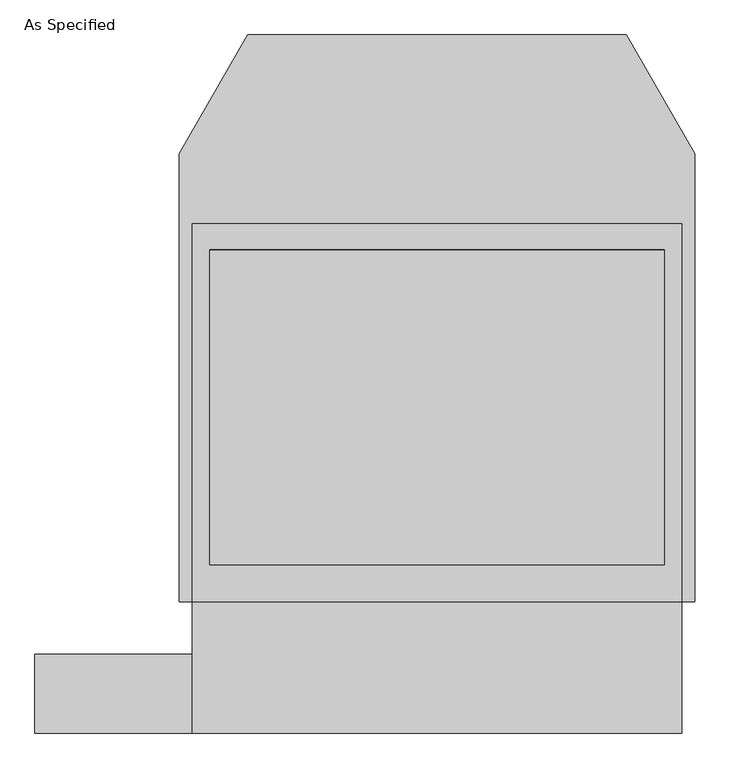
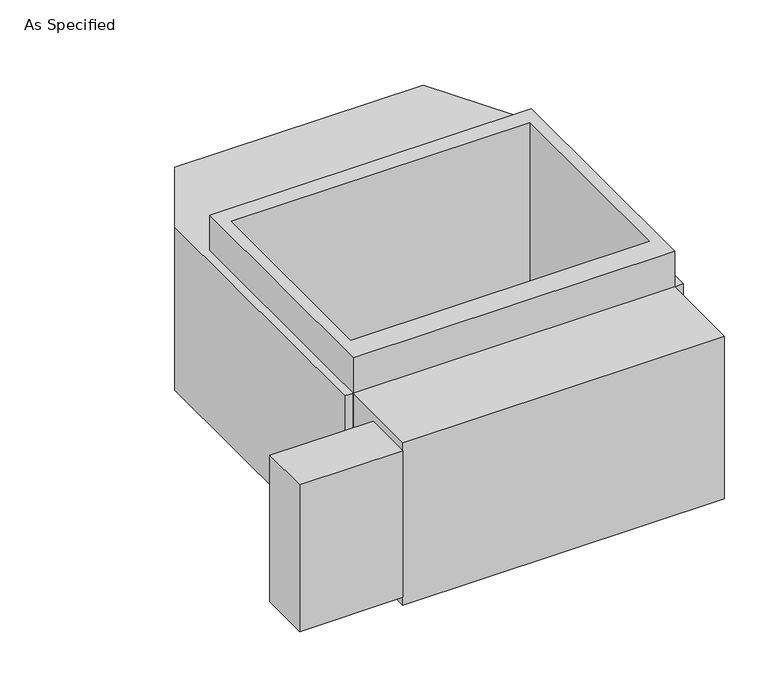
"""IFC4 building model written with IfcOpenShell, lengths in millimetres: proxy geometry, As Specified."""

from ifc_helpers import new_model, si_unit, frame, origin, place, context, project, spatial, polyline, outline, extrude, faceted_brep, source, transform, mapped, element, save


def as_specified_25234b27(model_context):
    return source(origin(), model_context, "Body", "SolidModel", [
        extrude(outline(polyline([(-711.2, -1014.1148438), (-1168.4, -1014.1148438), (-1168.4, -785.5148438), (-711.2, -785.5148438), (-711.2, -1014.1148438)])), frame((0.0, 0.0, -749.3), z_axis=(0.0, 0.0, 1.0), x_axis=(1.0, 0.0, 0.0)), (0.0, 0.0, 1.0), 685.8),
        extrude(outline(polyline([(711.2, 465.4351562), (711.2, -633.1148438), (-711.2, -633.1148438), (-711.2, 465.4351562), (711.2, 465.4351562)]), holes=[polyline([(-660.4, 389.2748437), (-660.4, -525.1251563), (660.4, -525.1251563), (660.4, 389.2748437), (-660.4, 389.2748437)])]), frame((0.0, 0.0, -762.0), z_axis=(0.0, 0.0, 1.0), x_axis=(1.0, 0.0, 0.0)), (0.0, 0.0, 1.0), 901.7),
        faceted_brep([(711.2, -1014.1148438, -787.4), (-711.2, -1014.1148438, -787.4), (-711.2, -633.1148438, -787.4), (-749.3, -633.1148438, -787.4), (-749.3, 668.6748437, -787.4), (-549.860123, 1014.1148437, -787.4), (549.860123, 1014.1148437, -787.4), (749.3, 668.6748437, -787.4), (749.3, -633.1148438, -787.4), (711.2, -633.1148438, -787.4), (711.2, -1014.1148438, -25.4), (711.2, -633.1148438, -25.4), (749.3, -633.1148438, -25.4), (749.3, 668.6748437, -25.4), (549.860123, 1014.1148437, -25.4), (-549.860123, 1014.1148437, -25.4), (-749.3, 668.6748437, -25.4), (-749.3, -633.1148438, -25.4), (-711.2, -633.1148438, -25.4), (-711.2, -1014.1148438, -25.4), (660.4, 389.2748437, -25.4), (660.4, -525.1251563, -25.4), (-660.4, -525.1251563, -25.4), (-660.4, 389.2748437, -25.4), (660.4, 389.2748437, -762.0), (-660.4, 389.2748437, -762.0), (-660.4, -525.1251563, -762.0), (660.4, -525.1251563, -762.0)], [[[0, 1, 2, 3, 4, 5, 6, 7, 8, 9]], [[10, 11, 12, 13, 14, 15, 16, 17, 18, 19], [20, 21, 22, 23]], [[6, 5, 15, 14]], [[3, 17, 16, 4]], [[17, 3, 2, 18]], [[8, 12, 11, 9]], [[12, 8, 7, 13]], [[0, 9, 11, 10]], [[2, 1, 19, 18]], [[1, 0, 10, 19]], [[5, 4, 16, 15]], [[7, 6, 14, 13]], [[24, 25, 26, 27]], [[24, 27, 21, 20]], [[27, 26, 22, 21]], [[26, 25, 23, 22]], [[25, 24, 20, 23]]]),
    ])


if __name__ == "__main__":
    model = new_model("IFC4")
    model_context = context("Model", 3, world=origin())
    ifc_project = project(units=[si_unit("LENGTHUNIT", "METRE", prefix="MILLI")], contexts=[model_context])
    site = spatial("IfcSite", under=ifc_project)
    building = spatial("IfcBuilding", under=site)
    placement = place(None, origin())
    as_specified_shape = as_specified_25234b27(model_context)
    element("IfcBuildingElementProxy", 1, Name="As Specified", ObjectType="As Specified", at=placement, inside=building, context=model_context, shape_type="MappedRepresentation", body=[
        mapped(as_specified_shape, transform((0.0, 0.0, 0.0), x_axis=(1.0, 0.0, 0.0), y_axis=(0.0, 1.0, 0.0), z_axis=(0.0, 0.0, 1.0))),
    ])
    save(model, "model.ifc")
